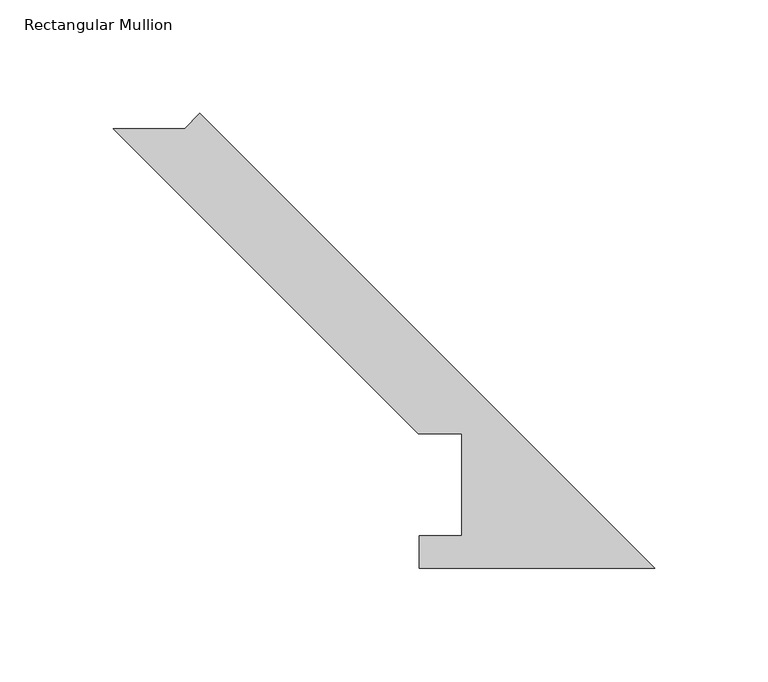
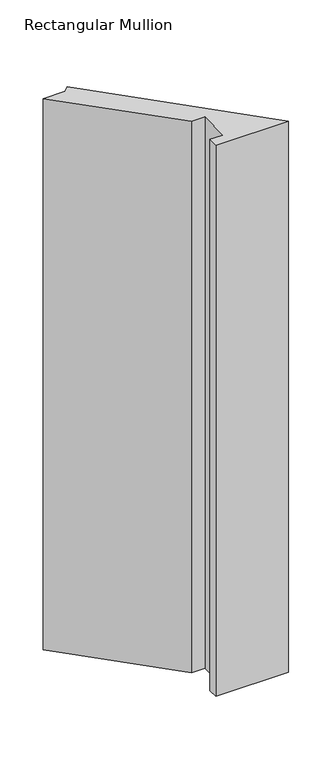
"""IFC4 building model written with IfcOpenShell, lengths in millimetres: member geometry, Rectangular Mullion."""

from ifc_helpers import new_model, si_unit, frame, origin, place, context, project, spatial, polyline, outline, extrude, source, transform, mapped, element, save


def rectangular_mullion_a5cc73a9(model_context):
    return source(origin(), model_context, "Body", "SweptSolid", [
        extrude(outline(polyline([(0.0, 0.186986), (-103.8932205, 0.186986), (-103.8932205, 14.436386), (-85.1955446, 14.436386), (-85.1955446, 59.53125), (-104.2455446, 59.53125), (-238.7697813, 194.0554867), (-207.3388849, 194.0554867), (-200.6036928, 200.7906788), (0.0, 0.186986)])), frame((0.0, 0.0, -831.85), z_axis=(0.0, 0.0, 1.0), x_axis=(1.0, 0.0, 0.0)), (0.0, 0.0, 1.0), 831.85),
    ])


if __name__ == "__main__":
    model = new_model("IFC4")
    model_context = context("Model", 3, world=origin())
    ifc_project = project(units=[si_unit("LENGTHUNIT", "METRE", prefix="MILLI")], contexts=[model_context])
    site = spatial("IfcSite", under=ifc_project)
    building = spatial("IfcBuilding", under=site)
    placement = place(None, origin())
    rectangular_mullion_shape = rectangular_mullion_a5cc73a9(model_context)
    element("IfcMember", 1, ObjectType="Rectangular Mullion", at=placement, inside=building, context=model_context, shape_type="MappedRepresentation", body=[
        mapped(rectangular_mullion_shape, transform((0.0, 0.0, 0.0), x_axis=(1.0, 0.0, 0.0), y_axis=(0.0, 1.0, 0.0), z_axis=(0.0, 0.0, 1.0))),
    ])
    save(model, "model.ifc")
